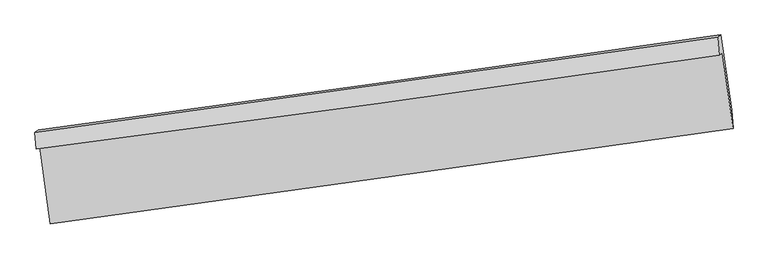
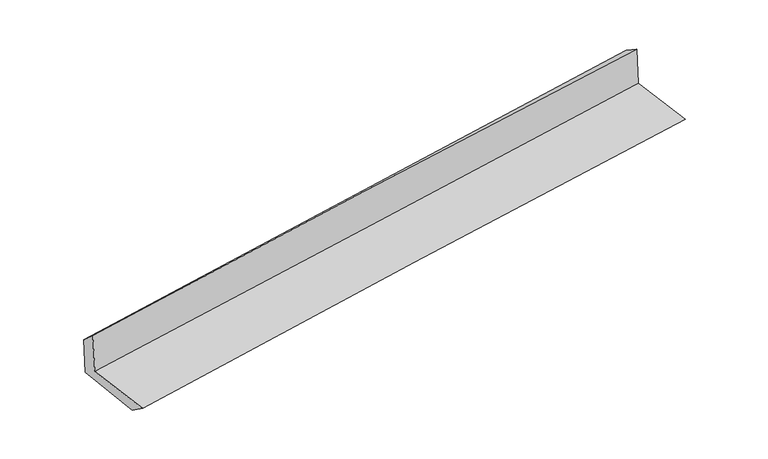
"""IFC4 building model written with IfcOpenShell, lengths in millimetres: proxy geometry."""

from ifc_helpers import new_model, si_unit, frame, origin, place, context, project, spatial, source, transform, mapped, element, save
from ifc_brep_helpers import plane_surface, spline_curve, spline_surface, advanced_brep


def generic_models_2deceaa6(model_context):
    return source(origin(), model_context, "Body", "AdvancedBrep", [
        advanced_brep(
        [(-2992.6596916, -1906.5259187, 1644.3420512), (-2898.0994421, -2579.6426095, 1625.0026362), (3040.4426025, -1748.3578376, 2115.4851395), (2948.0611168, -1090.0774282, 2134.4056964), (-3023.4376734, -1926.9587764, 2045.230063), (2918.4298937, -1109.7489768, 2520.3569966), (-3032.9329903, -1782.4306654, 1920.4251874), (2905.2966221, -951.4134069, 2416.4752313), (-3004.8775906, -1763.805273, 1554.9992319), (2933.5438077, -932.6606918, 2048.5512346), (-2910.735103, -2418.8821006, 1510.9251662), (3027.4471161, -1586.7284617, 2004.5381779)],
        [
            (0, 1),
            (1, 2, spline_curve(3, [(-2898.0994421, -2579.6426095, 1625.0026362), (-1908.627780963, -2443.764191267, 1720.055433826), (-918.932893799, -2306.53976145, 1808.460943582), (1060.581266242, -2029.443961609, 1971.950786637), (2050.400393909, -1889.573467736, 2047.039444842), (3040.4426025, -1748.3578376, 2115.4851395)], [4, 2, 4], [0.0, 9.871329454331772, 19.739447302549802])),
            (2, 3),
            (3, 0, spline_curve(3, [(2948.0611168, -1090.0774282, 2134.4056964), (1958.661965095, -1233.379044571, 2057.26360151), (968.982913881, -1373.056747292, 1977.860929425), (-1011.257173546, -1645.208603188, 1814.507852446), (-2001.818391399, -1777.680397578, 1730.555976526), (-2992.6596916, -1906.5259187, 1644.3420512)], [4, 2, 4], [0.0, 9.86811784821803, 19.739447302549802])),
            (4, 0),
            (3, 5),
            (5, 4, spline_curve(3, [(2918.4298937, -1109.7489768, 2520.3569966), (1927.801014237, -1253.866983709, 2459.232297705), (937.41146669, -1394.016369781, 2389.083947497), (-1043.211211203, -1666.422220024, 2230.714177557), (-2033.444186064, -1798.676100629, 2142.486883124), (-3023.4376734, -1926.9587764, 2045.230063)], [4, 2, 4], [0.0, 9.868317846350312, 19.739847363904307])),
            (6, 4),
            (5, 7),
            (7, 6, spline_curve(3, [(2905.2966221, -951.4134069, 2416.4752313), (1915.813677362, -1092.021873512, 2334.860738558), (926.300254735, -1231.566450704, 2252.722799428), (-1053.109596121, -1508.572896218, 2087.373125396), (-2043.006044272, -1646.034071636, 2004.161049969), (-3032.9329903, -1782.4306654, 1920.4251874)], [4, 2, 4], [0.0, 9.86824115248798, 19.73969395121942])),
            (8, 6),
            (7, 9),
            (9, 8, spline_curve(3, [(2933.5438077, -932.6606918, 2048.5512346), (1944.09193255, -1073.248531719, 1966.532055413), (954.578070213, -1212.793400943, 1884.399842533), (-1024.895688597, -1489.842273881, 1719.882581725), (-2014.855625791, -1627.345598333, 1637.497460472), (-3004.8775906, -1763.805273, 1554.9992319)], [4, 2, 4], [0.0, 9.868118751033906, 19.739449108475377])),
            (10, 8),
            (9, 11),
            (11, 10, spline_curve(3, [(3027.4471161, -1586.7284617, 2004.5381779), (2037.525888722, -1721.505324502, 1922.936689389), (1047.797237, -1858.228293588, 1841.008273211), (-931.59696124, -2135.611572644, 1676.470815361), (-1921.262382852, -2276.273150475, 1593.861560898), (-2910.735103, -2418.8821006, 1510.9251662)], [4, 2, 4], [0.0, 9.868039331602718, 19.73929024376573])),
            (1, 10),
            (11, 2),
        ],
        [
            spline_surface(3, 3, [[(-2992.6596916, -1906.5259187, 1644.3420512), (-2001.818391538, -1777.680397611, 1730.555976388), (-1011.257173453, -1645.208603252, 1814.507852578), (968.982913788, -1373.056747228, 1977.860929293), (1958.661965184, -1233.379044716, 2057.26360155), (2948.0611168, -1090.0774282, 2134.4056964)], [(-2961.139608413, -2130.898148984, 1637.895579519), (-1970.754854706, -1999.70832884, 1727.055795568), (-980.48241357, -1865.652322618, 1812.492216242), (999.515697957, -1591.852485378, 1975.890881759), (1989.241441438, -1452.11051901, 2053.855549328), (2978.854945396, -1309.504231326, 2128.098844109)], [(-2929.619525287, -2355.270379216, 1631.449107881), (-1939.691317935, -2221.736260016, 1723.555614789), (-949.70765371, -2086.096041999, 1810.476579884), (1030.048482101, -1810.648223544, 1973.920834203), (2019.820917603, -1670.841993325, 2050.447497079), (3009.648773904, -1528.931034474, 2121.791991791)], [(-2898.0994421, -2579.6426095, 1625.0026362), (-1908.627781103, -2443.764191245, 1720.055433969), (-918.932893827, -2306.539761365, 1808.460943549), (1060.58126627, -2029.443961694, 1971.95078667), (2050.400393857, -1889.573467619, 2047.039444858), (3040.4426025, -1748.3578376, 2115.4851395)]], [4, 4], [4, 2, 4], [0.0, 2.182656594783075], [0.0, 9.871329454331772, 19.739447302549802]),
            spline_surface(3, 3, [[(-3023.4376734, -1926.9587764, 2045.230063), (-2033.444186222, -1798.676100534, 2142.486883195), (-1043.211211349, -1666.422219973, 2230.714177519), (937.411466836, -1394.016369832, 2389.083947536), (1927.801014308, -1253.86698384, 2459.232297778), (2918.4298937, -1109.7489768, 2520.3569966)], [(-3013.178346131, -1920.147823827, 1911.600725731), (-2022.902254659, -1791.677532887, 2005.176580923), (-1032.559865405, -1659.351014409, 2091.978735869), (947.935282466, -1387.029828974, 2252.009608119), (1938.087997917, -1247.037670802, 2325.242732358), (2928.30696805, -1103.191793936, 2391.70656319)], [(-3002.919018869, -1913.336871273, 1777.971388469), (-2012.360323101, -1784.678965258, 1867.86627866), (-1021.908519398, -1652.279808816, 1953.243294227), (958.459098158, -1380.043288086, 2114.935268709), (1948.374981575, -1240.208357754, 2191.253166969), (2938.18404245, -1096.634611064, 2263.05612981)], [(-2992.6596916, -1906.5259187, 1644.3420512), (-2001.818391538, -1777.680397611, 1730.555976388), (-1011.257173453, -1645.208603252, 1814.507852578), (968.982913788, -1373.056747228, 1977.860929293), (1958.661965184, -1233.379044716, 2057.26360155), (2948.0611168, -1090.0774282, 2134.4056964)]], [4, 4], [4, 2, 4], [0.0, 1.3630854263812093], [0.0, 9.871529517553995, 19.739847363904307]),
            spline_surface(3, 3, [[(-3032.9329903, -1782.4306654, 1920.4251874), (-2043.006044339, -1646.034071625, 2004.161050125), (-1053.10959617, -1508.572896192, 2087.373125477), (926.300254784, -1231.566450729, 2252.722799347), (1915.813677424, -1092.02187338, 2334.860738616), (2905.2966221, -951.4134069, 2416.4752313)], [(-3029.767884671, -1830.606702386, 1962.02681263), (-2039.818758304, -1696.914747914, 2050.269661178), (-1049.810134553, -1561.189337453, 2135.153476152), (930.003992145, -1285.716423764, 2298.176515404), (1919.809456397, -1145.970243555, 2376.317925011), (2909.674379311, -1004.191930222, 2451.102486408)], [(-3026.602779029, -1878.782739414, 2003.62843777), (-2036.631472257, -1747.795424245, 2096.378272142), (-1046.510672967, -1613.805778712, 2182.933826844), (933.707729475, -1339.866396797, 2343.630231479), (1923.805235335, -1199.918613665, 2417.775111383), (2914.052136489, -1056.970453478, 2485.729741492)], [(-3023.4376734, -1926.9587764, 2045.230063), (-2033.444186222, -1798.676100534, 2142.486883195), (-1043.211211349, -1666.422219973, 2230.714177519), (937.411466836, -1394.016369832, 2389.083947536), (1927.801014308, -1253.86698384, 2459.232297778), (2918.4298937, -1109.7489768, 2520.3569966)]], [4, 4], [4, 2, 4], [0.0, 0.6984156517120848], [0.0, 9.871452798731438, 19.73969395121942]),
            spline_surface(3, 3, [[(-3004.8775906, -1763.805273, 1554.9992319), (-2014.855625887, -1627.345598265, 1637.497460566), (-1024.895688729, -1489.842273775, 1719.882581814), (954.578070346, -1212.793401049, 1884.399842444), (1944.09193263, -1073.248531819, 1966.532055462), (2933.5438077, -932.6606918, 2048.5512346)], [(-3014.229390501, -1770.013737154, 1676.807883703), (-2024.239098705, -1633.575089406, 1759.718657056), (-1034.300324549, -1496.08581459, 1842.379429702), (945.152131819, -1219.051084285, 2007.174161413), (1934.66584756, -1079.506312342, 2089.308283172), (2924.128079166, -938.911596836, 2171.192566825)], [(-3023.581190399, -1776.222201246, 1798.616535597), (-2033.622571521, -1639.804580484, 1881.939853636), (-1043.70496035, -1502.329355377, 1964.876277589), (935.726193311, -1225.308767493, 2129.948480379), (1925.239762494, -1085.764092857, 2212.084510906), (2914.712350634, -945.162501864, 2293.833899075)], [(-3032.9329903, -1782.4306654, 1920.4251874), (-2043.006044339, -1646.034071625, 2004.161050125), (-1053.10959617, -1508.572896192, 2087.373125477), (926.300254784, -1231.566450729, 2252.722799347), (1915.813677424, -1092.02187338, 2334.860738616), (2905.2966221, -951.4134069, 2416.4752313)]], [4, 4], [4, 2, 4], [0.0, 1.212157066718456], [0.0, 9.87133035744147, 19.739449108475377]),
            spline_surface(3, 3, [[(-2910.735103, -2418.8821006, 1510.9251662), (-1921.2623828, -2276.27315033, 1593.861561013), (-931.596961318, -2135.611572786, 1676.470815411), (1047.797237079, -1858.228293446, 1841.008273161), (2037.525888641, -1721.505324644, 1922.936689296), (3027.4471161, -1586.7284617, 2004.5381779)], [(-2942.115932197, -2200.523158076, 1525.616521464), (-1952.460130492, -2059.963966317, 1608.406860894), (-962.696537124, -1920.35513978, 1690.941404234), (1016.724181499, -1643.083329312, 1855.472129611), (2006.381236642, -1505.419727014, 1937.468478016), (2996.146013304, -1368.705871712, 2019.209196798)], [(-2973.496761403, -1982.164215524, 1540.307876636), (-1983.657878194, -1843.654782278, 1622.952160685), (-993.796112924, -1705.09870678, 1705.411992991), (985.651125925, -1427.938365183, 1869.935985994), (1975.236584629, -1289.334129449, 1952.000266743), (2964.844910496, -1150.683281788, 2033.880215702)], [(-3004.8775906, -1763.805273, 1554.9992319), (-2014.855625887, -1627.345598265, 1637.497460566), (-1024.895688729, -1489.842273775, 1719.882581814), (954.578070346, -1212.793401049, 1884.399842444), (1944.09193263, -1073.248531819, 1966.532055462), (2933.5438077, -932.6606918, 2048.5512346)]], [4, 4], [4, 2, 4], [0.0, 2.144834057787115], [0.0, 9.871250912163012, 19.73929024376573]),
            spline_surface(3, 3, [[(-2898.0994421, -2579.6426095, 1625.0026362), (-1908.627781103, -2443.764191245, 1720.055433969), (-918.932893827, -2306.539761365, 1808.460943549), (1060.58126627, -2029.443961694, 1971.95078667), (2050.400393857, -1889.573467619, 2047.039444858), (3040.4426025, -1748.3578376, 2115.4851395)], [(-2902.311329087, -2526.055773173, 1586.976812854), (-1912.839315023, -2387.933844246, 1677.990809637), (-923.154249647, -2249.563698493, 1764.464234147), (1056.319923216, -1972.372072266, 1928.303282145), (2046.108892091, -1833.550753296, 2005.671859674), (3036.110773672, -1694.481378968, 2078.50281897)], [(-2906.523216013, -2472.468936927, 1548.950989546), (-1917.05084888, -2332.103497329, 1635.926185345), (-927.375605498, -2192.587635658, 1720.467524813), (1052.058580132, -1915.300182874, 1884.655777686), (2041.817390408, -1777.528038967, 1964.30427448), (3031.778944928, -1640.604920332, 2041.52049843)], [(-2910.735103, -2418.8821006, 1510.9251662), (-1921.2623828, -2276.27315033, 1593.861561013), (-931.596961318, -2135.611572786, 1676.470815411), (1047.797237079, -1858.228293446, 1841.008273161), (2037.525888641, -1721.505324644, 1922.936689296), (3027.4471161, -1586.7284617, 2004.5381779)]], [4, 4], [4, 2, 4], [0.0, 0.709078445301689], [0.0, 9.871216966536295, 19.7392223635564]),
            plane_surface(frame((2962.2035265, -1236.4978005, 2206.6354127), z_axis=(0.9872252398169822, 0.13616683618932893, 0.08273402317360469), x_axis=(-0.07645058364596434, -0.05075394182650907, 0.9957807718816741))),
            plane_surface(frame((-2977.1237485, -2063.0408906, 1716.8207227), z_axis=(-0.9872054796599457, -0.1363066192136413, -0.08273963069728883), x_axis=(-0.13905892990493765, 0.9898756313082256, 0.028440262935410528))),
        ],
        [
            (0, [[1, 2, 3, 4]]),
            (1, [[5, -4, 6, 7]]),
            (2, [[8, -7, 9, 10]]),
            (3, [[11, -10, 12, 13]]),
            (4, [[14, -13, 15, 16]]),
            (5, [[17, -16, 18, -2]]),
            (6, [[-12, -9, -6, -3, -18, -15]]),
            (7, [[-1, -5, -8, -11, -14, -17]]),
        ],
    ),
    ])


if __name__ == "__main__":
    model = new_model("IFC4")
    model_context = context("Model", 3, world=origin())
    ifc_project = project(units=[si_unit("LENGTHUNIT", "METRE", prefix="MILLI")], contexts=[model_context])
    site = spatial("IfcSite", under=ifc_project)
    building = spatial("IfcBuilding", under=site)
    placement = place(None, origin())
    generic_models_shape = generic_models_2deceaa6(model_context)
    element("IfcBuildingElementProxy", 1, Name="Generic Models", at=placement, inside=building, context=model_context, shape_type="MappedRepresentation", body=[
        mapped(generic_models_shape, transform((0.0, 0.0, 0.0), x_axis=(1.0, 0.0, 0.0), y_axis=(0.0, 1.0, 0.0), z_axis=(0.0, 0.0, 1.0))),
    ])
    save(model, "model.ifc")
